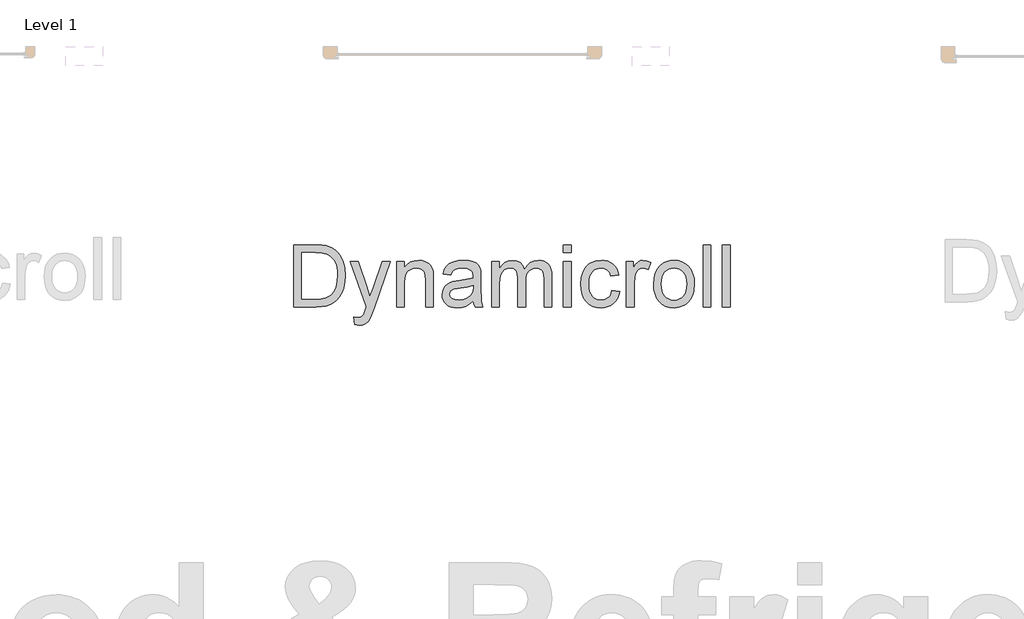
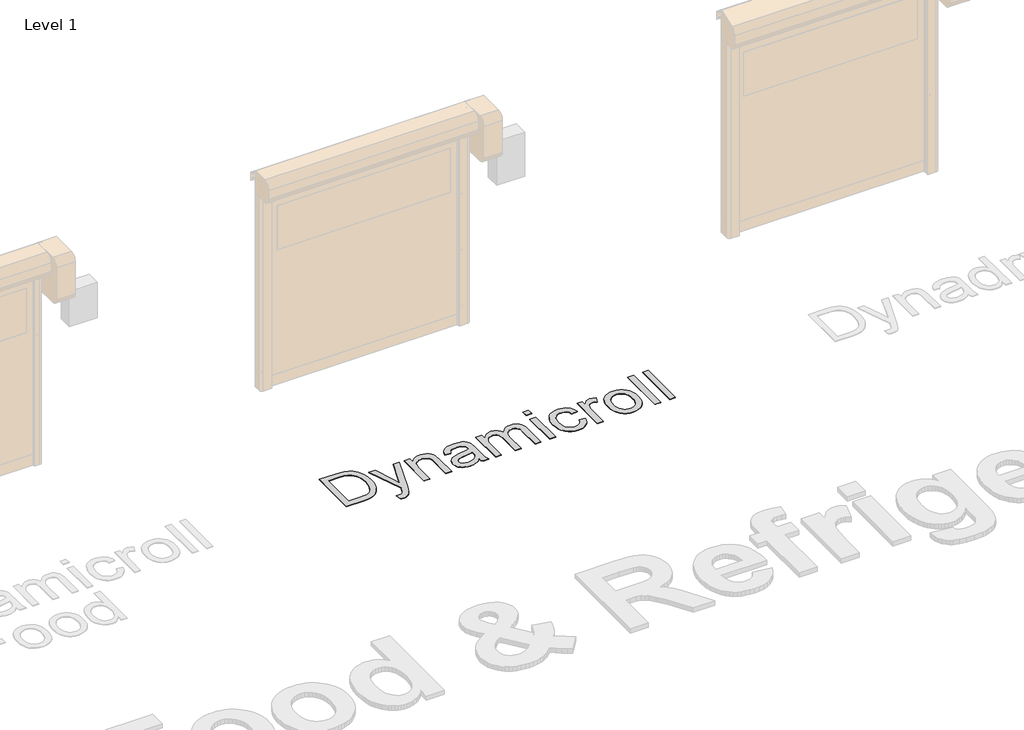
# One storey, part 2 of 18: 1 proxy.
"""IFC4 building model written with IfcOpenShell, lengths in millimetres."""

from ifc_helpers import new_model, si_unit, origin, origin_with_axes, place, context, project, spatial, polyline, outline, extrude, element, save

model = new_model("IFC4")

# Units and contexts
model_context = context("Model", 3, world=origin())
ifc_project = project(units=[si_unit("LENGTHUNIT", "METRE", prefix="MILLI")], contexts=[model_context])

# Site, building, storey
site = spatial("IfcSite", under=ifc_project)
building = spatial("IfcBuilding", under=site)
storey = spatial("IfcBuildingStorey", under=building, Name="Level 1", Elevation=0.0)

# Proxy
placement = place(None, origin())
element("IfcBuildingElementProxy", 1, Name="500mm", ObjectType="500mm", at=placement, inside=storey, context=model_context, shape_type="SweptSolid", body=[
    extrude(outline(polyline([(5132.2974666, 7547.2366873), (5132.2974666, 8049.5182381), (5305.5698863, 8049.5182381), (5357.3492772, 8047.7094849), (5395.2104658, 8042.2832255), (5435.2482896, 8028.3343665), (5469.0321195, 8006.3534173), (5487.6484813, 7988.3885132), (5503.7663112, 7968.0936898), (5517.3856093, 7945.4689471), (5528.5063754, 7920.5142851), (5543.3136257, 7864.5349081), (5548.2493758, 7801.075264), (5544.907781, 7747.1652233), (5534.8829967, 7699.7237743), (5519.6158939, 7659.3333969), (5500.5473438, 7626.5765709), (5478.5970514, 7600.7175324), (5454.6847217, 7581.0205172), (5427.2315278, 7566.4125363), (5394.6586428, 7555.8206005), (5356.9047531, 7549.3826656), (5313.9085449, 7547.2366873), (5132.2974666, 7547.2366873)]), holes=[polyline([(5195.0826604, 7610.0218811), (5306.183023, 7610.0218811), (5352.1376156, 7612.2904868), (5386.9944346, 7619.0963037), (5413.2979973, 7630.0407931), (5433.5928207, 7644.725416), (5455.4051573, 7671.9026984), (5471.7912345, 7707.0814142), (5482.0459451, 7750.4148476), (5485.464182, 7802.0562826), (5483.7895525, 7838.507257), (5478.765664, 7870.4823337), (5470.3925165, 7897.9815129), (5458.67011, 7921.0047944), (5444.5488063, 7940.0733445), (5428.9789673, 7955.7083293), (5411.9605929, 7967.9097488), (5393.4936832, 7976.677603), (5357.379934, 7984.2191839), (5304.4662403, 7986.7330442), (5195.0826604, 7986.7330442), (5195.0826604, 7610.0218811)])]), origin_with_axes(), (0.0, 0.0, 1.0), 5.0),
    extrude(outline(polyline([(5626.7308681, 7405.9700012), (5618.8827189, 7466.4252757), (5650.7658251, 7460.9070458), (5667.5351128, 7462.6391568), (5680.5642668, 7467.83549), (5690.7116785, 7476.1281633), (5698.8357392, 7487.1492948), (5716.0035656, 7533.3797988), (5720.9086589, 7548.585588), (5587.490122, 7916.0997011), (5653.7088811, 7916.0997011), (5724.4648515, 7711.3120572), (5749.1129452, 7629.3969996), (5773.7610389, 7701.7471253), (5846.4790466, 7916.0997011), (5912.2072964, 7916.0997011), (5783.8164801, 7538.4075194), (5750.4618458, 7456.4924618), (5733.3859899, 7430.3421833), (5714.0415283, 7412.2239951), (5691.5700698, 7401.6473877), (5665.113223, 7398.1218519), (5646.933721, 7400.0838892), (5626.7308681, 7405.9700012)])), origin_with_axes(), (0.0, 0.0, 1.0), 5.0),
    extrude(outline(polyline([(5964.201285, 7547.2366873), (5964.201285, 7916.0997011), (6026.9864789, 7916.0997011), (6026.9864789, 7864.5962218), (6048.7988155, 7890.5625593), (6074.9950792, 7909.1099432), (6105.5752701, 7920.2383736), (6140.5393881, 7923.9478504), (6171.4874609, 7920.9588092), (6199.8297029, 7911.9916855), (6223.4661211, 7898.1654539), (6240.2967224, 7880.5990886), (6251.7163927, 7859.338575), (6259.1200178, 7834.4298982), (6262.4309558, 7773.729369), (6262.4309558, 7547.2366873), (6199.6457619, 7547.2366873), (6199.6457619, 7765.2680831), (6197.8370088, 7797.7336692), (6192.4107494, 7820.8182644), (6182.4012934, 7837.3576258), (6166.8429507, 7850.1875103), (6146.9006809, 7858.41887), (6123.7394436, 7861.1626565), (6104.6747256, 7859.6221507), (6086.9665725, 7855.0006331), (6070.6149842, 7847.2981038), (6055.6199608, 7836.5145628), (6043.0928125, 7821.4237368), (6034.1448494, 7800.7993525), (6028.7760715, 7774.6414098), (6026.9864789, 7742.9499087), (6026.9864789, 7547.2366873), (5964.201285, 7547.2366873)])), origin_with_axes(), (0.0, 0.0, 1.0), 5.0),
    extrude(outline(polyline([(6584.2050742, 7594.3255827), (6554.2073632, 7568.6044999), (6523.320604, 7551.7738986), (6490.8396895, 7542.4848782), (6456.0595126, 7539.3885381), (6428.1043131, 7541.2509407), (6403.590343, 7546.8381485), (6382.5176025, 7556.1501615), (6364.8860914, 7569.1869797), (6350.9640572, 7585.1208686), (6341.019747, 7603.1240937), (6335.0531609, 7623.1966551), (6333.0642989, 7645.3385527), (6336.0686685, 7671.3662038), (6345.0817774, 7695.002622), (6358.9846511, 7715.2361318), (6376.6583153, 7731.0550576), (6397.4283196, 7743.0112224), (6420.6202137, 7751.6564493), (6474.9441217, 7761.0987538), (6539.1395298, 7771.0315677), (6583.8371922, 7782.6811642), (6584.2050742, 7796.66068), (6579.8824608, 7824.6810253), (6566.9146205, 7843.0138114), (6553.8394812, 7850.9539312), (6537.9132565, 7856.6254452), (6497.5075507, 7861.1626565), (6460.1062145, 7858.1429585), (6433.9865929, 7849.0838643), (6416.1749729, 7832.3299052), (6403.6976419, 7806.2256119), (6340.9124481, 7814.0737611), (6351.8109522, 7848.409414), (6368.0744021, 7875.387427), (6391.2203109, 7896.0194756), (6422.766192, 7911.3172352), (6461.3478163, 7920.7901966), (6505.6009546, 7923.9478504), (6548.0453398, 7921.1580786), (6581.6912139, 7912.7887632), (6607.0597432, 7900.2041333), (6624.6720937, 7884.7684179), (6636.3523471, 7865.6845394), (6643.9245848, 7842.1554201), (6646.9902681, 7787.2183755), (6646.9902681, 7709.1047652), (6650.1785787, 7600.0277536), (6654.899731, 7573.065069), (6662.6865665, 7547.2366873), (6599.9013727, 7547.2366873), (6589.8459315, 7569.0643524), (6584.2050742, 7594.3255827)]), holes=[polyline([(6584.2050742, 7719.8959704), (6542.0212721, 7709.4419903), (6482.9148982, 7700.6434793), (6428.8975586, 7690.4654108), (6414.8414007, 7683.5063097), (6404.4334059, 7673.910721), (6397.995471, 7662.4144086), (6395.8494927, 7649.7531366), (6400.5246597, 7631.0831254), (6414.5501608, 7615.7853657), (6437.6194276, 7605.5766404), (6469.4258917, 7602.1737319), (6503.148408, 7605.929194), (6532.9468496, 7617.1955801), (6557.1044339, 7633.7962551), (6573.9043784, 7653.5545839), (6581.3539888, 7673.910721), (6583.8371922, 7702.1150073), (6584.2050742, 7719.8959704)])]), origin_with_axes(), (0.0, 0.0, 1.0), 5.0),
    extrude(outline(polyline([(6733.3199096, 7547.2366873), (6733.3199096, 7916.0997011), (6796.1051035, 7916.0997011), (6796.1051035, 7855.3991719), (6814.9897125, 7883.2815615), (6839.2699242, 7905.1245549), (6868.118004, 7919.2420265), (6900.7062174, 7923.9478504), (6935.6243501, 7919.150056), (6963.6140386, 7904.756673), (6984.5219987, 7881.718063), (6998.1949461, 7850.984588), (7021.0802719, 7882.9060153), (7047.1845652, 7905.7070348), (7076.5078259, 7919.3876465), (7109.050054, 7923.9478504), (7134.1848249, 7922.0509588), (7156.2462483, 7916.3602842), (7175.2343242, 7906.8758265), (7191.1490526, 7893.5975858), (7203.7298504, 7876.3722778), (7212.7161346, 7855.0466184), (7218.1079051, 7829.6206075), (7219.9051619, 7800.0942453), (7219.9051619, 7547.2366873), (7157.1199681, 7547.2366873), (7157.1199681, 7773.1162323), (7155.6637685, 7804.4321872), (7151.2951698, 7825.5394167), (7143.1097954, 7839.9941134), (7130.2032687, 7851.35247), (7113.6025937, 7858.7101099), (7094.3347742, 7861.1626565), (7076.5423148, 7859.5914938), (7060.3210181, 7854.8780058), (7045.670884, 7847.0221923), (7032.5919127, 7836.0240535), (7021.8351964, 7821.5616926), (7014.1518277, 7803.3132128), (7009.5418064, 7781.2786141), (7008.0051327, 7755.4578966), (7008.0051327, 7547.2366873), (6945.2199388, 7547.2366873), (6945.2199388, 7780.1059903), (6941.5871041, 7815.6066028), (6930.6886, 7840.9291468), (6922.2618031, 7849.7813073), (6911.512751, 7856.1042791), (6883.0478817, 7861.1626565), (6858.8596405, 7857.7904049), (6836.5721229, 7847.67365), (6818.1780232, 7831.0576466), (6805.6700353, 7808.1876492), (6798.4963364, 7776.4578271), (6796.1051035, 7733.2623495), (6796.1051035, 7547.2366873), (6733.3199096, 7547.2366873)])), origin_with_axes(), (0.0, 0.0, 1.0), 5.0),
    extrude(outline(polyline([(7314.0829527, 7986.7330442), (7314.0829527, 8049.5182381), (7376.8681465, 8049.5182381), (7376.8681465, 7986.7330442), (7314.0829527, 7986.7330442)])), origin_with_axes(), (0.0, 0.0, 1.0), 5.0),
    extrude(outline(polyline([(7314.0829527, 7547.2366873), (7314.0829527, 7916.0997011), (7376.8681465, 7916.0997011), (7376.8681465, 7547.2366873), (7314.0829527, 7547.2366873)])), origin_with_axes(), (0.0, 0.0, 1.0), 5.0),
    extrude(outline(polyline([(7706.4904142, 7680.6552242), (7769.275608, 7672.807075), (7762.4467985, 7643.1810781), (7751.7705564, 7616.9656538), (7737.2468818, 7594.1608022), (7718.8757747, 7574.7665233), (7697.4313201, 7559.2886548), (7673.687603, 7548.2330344), (7647.6446234, 7541.5996621), (7619.3023813, 7539.3885381), (7584.0891766, 7542.4733819), (7552.5164708, 7551.7279133), (7524.5842639, 7567.1521324), (7500.2925559, 7588.7460391), (7480.6300297, 7616.1034304), (7466.5853681, 7648.8181032), (7458.1585711, 7686.8900576), (7455.3496388, 7730.3192936), (7460.1474332, 7786.1913716), (7474.5408162, 7834.6138392), (7485.3933351, 7855.5639524), (7498.7597142, 7873.7166296), (7514.6399537, 7889.0718708), (7533.0340535, 7901.629676), (7574.0375675, 7918.3683068), (7618.44399, 7923.9478504), (7646.2995548, 7922.0317983), (7671.4956394, 7916.2836421), (7694.0322437, 7906.7033818), (7713.9093678, 7893.2910174), (7730.7897864, 7876.3531172), (7744.3362744, 7856.1962496), (7754.5488319, 7832.8204145), (7761.4274588, 7806.2256119), (7698.642265, 7798.3774627), (7687.2532515, 7825.7693429), (7669.5182737, 7845.4050444), (7646.4183501, 7857.2232535), (7618.9344993, 7861.1626565), (7597.6011757, 7859.2236118), (7578.360181, 7853.4064778), (7561.211515, 7843.7112544), (7546.155178, 7830.1379416), (7533.8962769, 7812.3723069), (7525.139919, 7790.1001178), (7519.8861042, 7763.3213742), (7518.1348327, 7732.0360762), (7519.8477832, 7700.2794294), (7524.9866348, 7673.1902854), (7533.5513875, 7650.7686442), (7545.5420413, 7633.0145058), (7560.2994743, 7619.5216673), (7577.1645645, 7609.8839254), (7596.1373119, 7604.1012803), (7617.2177167, 7602.1737319), (7649.729288, 7606.9868547), (7676.3854043, 7621.426223), (7687.1651131, 7632.3477197), (7695.7758511, 7645.8597188), (7706.4904142, 7680.6552242)])), origin_with_axes(), (0.0, 0.0, 1.0), 5.0),
    extrude(outline(polyline([(7824.2126526, 7547.2366873), (7824.2126526, 7916.0997011), (7879.1496973, 7916.0997011), (7879.1496973, 7861.5305385), (7899.4445207, 7893.1683901), (7918.1451887, 7911.8077445), (7936.9071705, 7920.9128239), (7957.3859349, 7923.9478504), (7988.6559045, 7919.1040708), (8020.4163834, 7904.572732), (7999.4471097, 7848.2867867), (7977.37419, 7857.9436891), (7955.3012703, 7861.1626565), (7936.5546169, 7858.0663164), (7919.8006577, 7848.777296), (7906.265666, 7834.0007025), (7897.175915, 7814.4416431), (7889.5423636, 7779.3702263), (7886.9978465, 7741.1104988), (7886.9978465, 7547.2366873), (7824.2126526, 7547.2366873)])), origin_with_axes(), (0.0, 0.0, 1.0), 5.0),
    extrude(outline(polyline([(8043.9608311, 7731.6681942), (8047.3560753, 7779.4392041), (8057.5418081, 7820.6036666), (8074.5180293, 7855.1615815), (8098.2847391, 7883.1129489), (8122.2123972, 7900.9782183), (8148.6232587, 7913.739125), (8177.5173238, 7921.395669), (8208.8945923, 7923.9478504), (8243.5329814, 7920.8400139), (8274.8527683, 7911.5165046), (8302.8539531, 7895.9773224), (8327.5365357, 7874.2224674), (8347.6819071, 7846.9877034), (8362.071458, 7815.0087945), (8370.7051886, 7778.2857408), (8373.5830988, 7736.8185422), (8368.4940645, 7673.3895548), (8362.1327717, 7647.3542395), (8353.2269617, 7625.105043), (8341.8877656, 7605.8870408), (8328.2263145, 7588.9453085), (8312.2426082, 7574.2798461), (8293.9366468, 7561.8906534), (8253.2090443, 7545.0140669), (8208.8945923, 7539.3885381), (8173.7503654, 7542.4848782), (8142.1393386, 7551.7738986), (8114.0615117, 7567.2555992), (8089.5168848, 7588.9299801), (8069.5861113, 7616.4291592), (8055.3498445, 7649.3852546), (8046.8080845, 7687.7982663), (8043.9608311, 7731.6681942)]), holes=[polyline([(8106.7460249, 7731.7908216), (8108.5624423, 7701.3370901), (8114.0116943, 7674.9683817), (8123.0937811, 7652.6846963), (8135.8087026, 7634.4860338), (8151.2750748, 7620.3494017), (8168.6115138, 7610.2518074), (8187.8180196, 7604.1932508), (8208.8945923, 7602.1737319), (8229.863866, 7604.2047471), (8248.9937297, 7610.2977926), (8266.2841835, 7620.4528686), (8281.7352273, 7634.6699748), (8294.4501488, 7653.0487462), (8303.5322355, 7675.6888173), (8308.9814876, 7702.5901882), (8310.7979049, 7733.7528589), (8308.9699913, 7763.2409), (8303.4862503, 7788.9198297), (8294.346682, 7810.7896479), (8281.5512863, 7828.8503546), (8266.042761, 7842.9869867), (8248.7638035, 7853.084581), (8229.7144139, 7859.1431377), (8208.8945923, 7861.1626565), (8187.8180196, 7859.1508019), (8168.6115138, 7853.1152379), (8151.2750748, 7843.0559646), (8135.8087026, 7828.9729819), (8123.0937811, 7810.827969), (8114.0116943, 7788.5826046), (8108.5624423, 7762.2368888), (8106.7460249, 7731.7908216)])]), origin_with_axes(), (0.0, 0.0, 1.0), 5.0),
    extrude(outline(polyline([(8444.2164419, 7547.2366873), (8444.2164419, 8049.5182381), (8507.0016357, 8049.5182381), (8507.0016357, 7547.2366873), (8444.2164419, 7547.2366873)])), origin_with_axes(), (0.0, 0.0, 1.0), 5.0),
    extrude(outline(polyline([(8601.1794265, 7547.2366873), (8601.1794265, 8049.5182381), (8663.9646203, 8049.5182381), (8663.9646203, 7547.2366873), (8601.1794265, 7547.2366873)])), origin_with_axes(), (0.0, 0.0, 1.0), 5.0),
])

save(model, "model.ifc")
